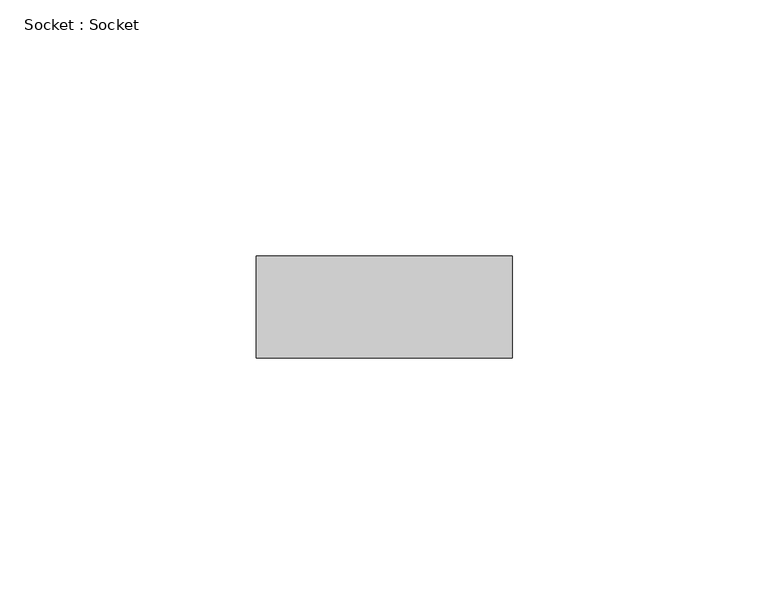
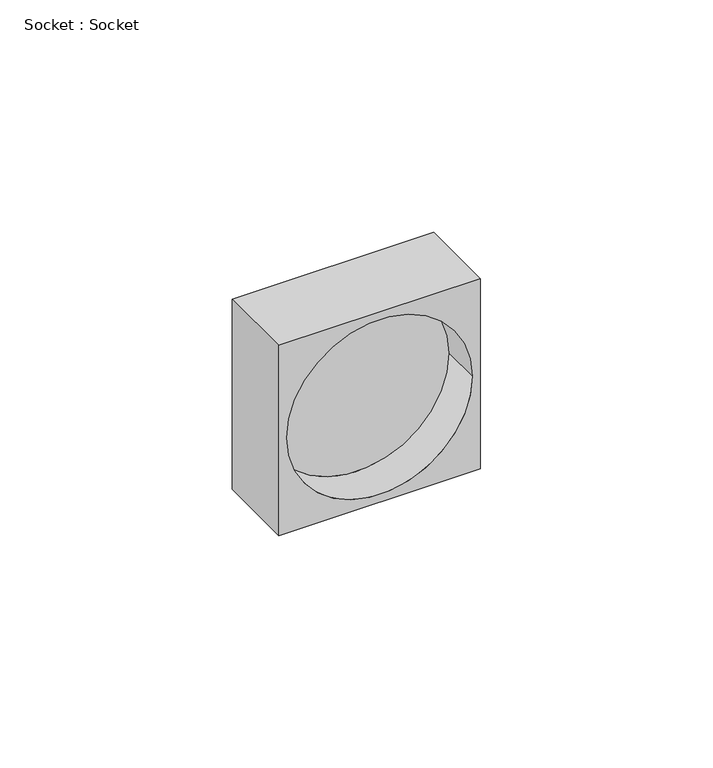
"""IFC4 building model written with IfcOpenShell, lengths in millimetres: proxy geometry, Socket : Socket."""

from ifc_helpers import new_model, si_unit, frame, origin, place, context, project, spatial, polyline, circle_curve, source, transform, mapped, element, save
from ifc_brep_helpers import plane_surface, revolved_surface, advanced_brep


def socket_socket_d63f73ad(model_context):
    return source(origin(), model_context, "Body", "AdvancedBrep", [
        advanced_brep(
        [(25.0, -20.0, 25.0), (-25.0, -20.0, 25.0), (-25.0, -20.0, -25.0), (25.0, -20.0, -25.0), (23.0, -20.0, 0.0), (-23.0, -20.0, 0.0), (25.0, 0.0, 25.0), (25.0, 0.0, -25.0), (-25.0, 0.0, -25.0), (-25.0, 0.0, 25.0), (-23.0, -10.0, 0.0), (23.0, -10.0, 0.0)],
        [
            (0, 1),
            (1, 2),
            (2, 3),
            (3, 0),
            (4, 5, circle_curve(frame((0.0, -20.0, 0.0), z_axis=(0.0, 1.0, 0.0), x_axis=(1.0, 0.0, 0.0)), 23.0)),
            (5, 4, circle_curve(frame((0.0, -20.0, 0.0), z_axis=(0.0, 1.0, 0.0), x_axis=(1.0, 0.0, 0.0)), 23.0)),
            (6, 7),
            (7, 8),
            (8, 9),
            (9, 6),
            (3, 7),
            (6, 0),
            (2, 8),
            (1, 9),
            (10, 11, circle_curve(frame((0.0, -10.0, 0.0), z_axis=(0.0, -1.0, 0.0), x_axis=(1.0, 0.0, 0.0)), 23.0)),
            (11, 10, circle_curve(frame((0.0, -10.0, 0.0), z_axis=(0.0, -1.0, 0.0), x_axis=(1.0, 0.0, 0.0)), 23.0)),
            (10, 5),
            (4, 11),
        ],
        [
            plane_surface(frame((-25.0, -20.0, 25.0), z_axis=(0.0, -1.0, 0.0), x_axis=(-1.0, 0.0, 0.0))),
            plane_surface(frame((-25.0, 0.0, 25.0), z_axis=(0.0, 1.0, 0.0), x_axis=(1.0, 0.0, 0.0))),
            plane_surface(frame((25.0, -20.0, -25.0), z_axis=(1.0, 0.0, 0.0), x_axis=(0.0, 1.0, 0.0))),
            plane_surface(frame((-25.0, -20.0, -25.0), z_axis=(0.0, 0.0, -1.0), x_axis=(0.0, 1.0, 0.0))),
            plane_surface(frame((-25.0, -20.0, 25.0), z_axis=(-1.0, 0.0, 0.0), x_axis=(0.0, 1.0, 0.0))),
            plane_surface(frame((25.0, -20.0, 25.0), z_axis=(0.0, 0.0, 1.0), x_axis=(0.0, 1.0, 0.0))),
            plane_surface(frame((23.0, -10.0, 0.0), z_axis=(0.0, -1.0, 0.0), x_axis=(0.0, 0.0, -1.0))),
            revolved_surface(polyline([(23.0, -20.0, 0.0), (23.0, -10.0, 0.0)]), (0.0, -10.0, 0.0), (0.0, -1.0, 0.0)),
        ],
        [
            (0, [[1, 2, 3, 4], [5, 6]]),
            (1, [[7, 8, 9, 10]]),
            (2, [[-4, 11, -7, 12]]),
            (3, [[-3, 13, -8, -11]]),
            (4, [[-2, 14, -9, -13]]),
            (5, [[-1, -12, -10, -14]]),
            (6, [[15, 16]]),
            (7, [[-15, 17, -5, 18]]),
            (7, [[-16, -18, -6, -17]]),
        ],
    ),
    ])


if __name__ == "__main__":
    model = new_model("IFC4")
    model_context = context("Model", 3, world=origin())
    ifc_project = project(units=[si_unit("LENGTHUNIT", "METRE", prefix="MILLI")], contexts=[model_context])
    site = spatial("IfcSite", under=ifc_project)
    building = spatial("IfcBuilding", under=site)
    placement = place(None, origin())
    socket_socket_shape = socket_socket_d63f73ad(model_context)
    element("IfcBuildingElementProxy", 1, Name="Socket : Socket", ObjectType="Socket : Socket", at=placement, inside=building, context=model_context, shape_type="MappedRepresentation", body=[
        mapped(socket_socket_shape, transform((0.0, 0.0, 0.0), x_axis=(1.0, 0.0, 0.0), y_axis=(0.0, 1.0, 0.0), z_axis=(0.0, 0.0, 1.0))),
    ])
    save(model, "model.ifc")
